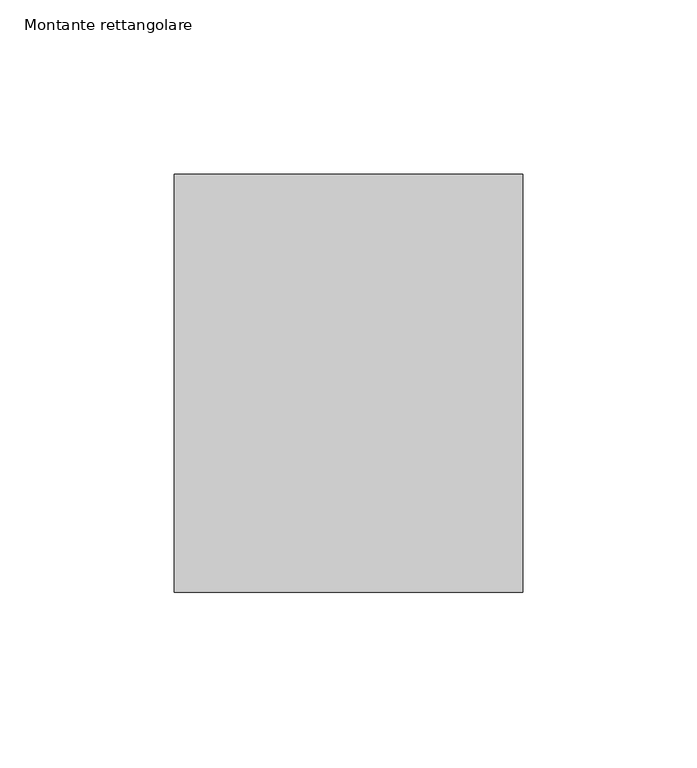
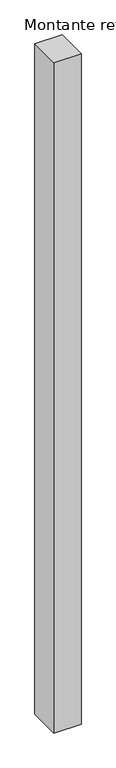
"""IFC4 building model written with IfcOpenShell, lengths in millimetres: member geometry, Montante rettangolare."""

from ifc_helpers import new_model, si_unit, frame, origin, place, context, project, spatial, polyline, outline, extrude, source, transform, mapped, element, save


def montante_rettangolare_9b223f24(model_context):
    return source(origin(), model_context, "Body", "SweptSolid", [
        extrude(outline(polyline([(50.0, 60.0), (50.0, -60.0), (-50.0, -60.0), (-50.0, 60.0), (50.0, 60.0)])), frame((0.0, 0.0, -2600.0), z_axis=(0.0, 0.0, 1.0), x_axis=(1.0, 0.0, 0.0)), (0.0, 0.0, 1.0), 2600.0),
    ])


if __name__ == "__main__":
    model = new_model("IFC4")
    model_context = context("Model", 3, world=origin())
    ifc_project = project(units=[si_unit("LENGTHUNIT", "METRE", prefix="MILLI")], contexts=[model_context])
    site = spatial("IfcSite", under=ifc_project)
    building = spatial("IfcBuilding", under=site)
    placement = place(None, origin())
    montante_rettangolare_shape = montante_rettangolare_9b223f24(model_context)
    element("IfcMember", 1, ObjectType="Montante rettangolare", at=placement, inside=building, context=model_context, shape_type="MappedRepresentation", body=[
        mapped(montante_rettangolare_shape, transform((0.0, 0.0, 0.0), x_axis=(1.0, 0.0, 0.0), y_axis=(0.0, 1.0, 0.0), z_axis=(0.0, 0.0, 1.0))),
    ])
    save(model, "model.ifc")
